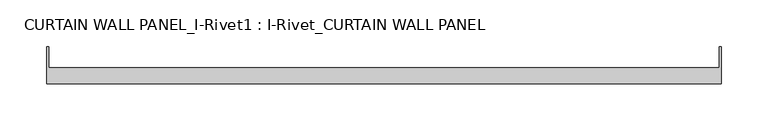
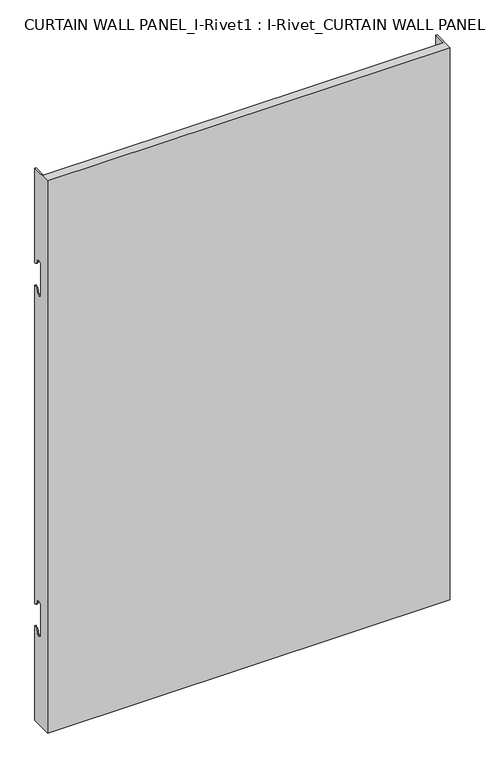
"""IFC4 building model written with IfcOpenShell, lengths in millimetres: plate geometry, CURTAIN WALL PANEL_I-Rivet1 : I-Rivet_CURTAIN WALL PANEL."""

from ifc_helpers import new_model, si_unit, frame, origin, place, context, project, spatial, polyline, circle_curve, source, transform, mapped, element, save
from ifc_brep_helpers import plane_surface, cylinder_surface, revolved_surface, advanced_brep


def curtain_wall_panel_i_rivet1_i_rivet_curtain_wall_panel_c50aa303(model_context):
    return source(origin(), model_context, "Body", "AdvancedBrep", [
        advanced_brep(
        [(-360.4542817, -85.0, 1045.0), (360.4542817, -85.0, 1045.0), (360.4542817, -45.3384103, 1045.0), (358.4542817, -45.3384103, 1045.0), (358.4542817, -68.0, 1045.0), (-358.4542817, -68.0, 1045.0), (-358.4542817, -45.3384103, 1045.0), (-360.4542817, -45.3384103, 1045.0), (-360.4542817, -85.0, 0.0), (-360.4542817, -45.3384103, 0.0), (-358.4542817, -45.3384103, 0.0), (-358.4542817, -68.0, 0.0), (358.4542817, -68.0, 0.0), (358.4542817, -45.3384103, 0.0), (360.4542817, -45.3384103, 0.0), (360.4542817, -85.0, 0.0), (-360.4542817, -45.3384103, 866.0), (-360.4542817, -52.3384103, 873.0), (-360.4542817, -63.3384103, 873.0), (-360.4542817, -63.3384103, 817.0), (-360.4542817, -52.3384103, 817.0), (-360.4542817, -45.3384103, 824.0), (-360.4542817, -45.3384103, 221.0), (-360.4542817, -52.3384103, 228.0), (-360.4542817, -63.3384103, 228.0), (-360.4542817, -63.3384103, 172.0), (-360.4542817, -52.3384103, 172.0), (-360.4542817, -45.3384103, 179.0), (-358.4542817, -45.3384103, 179.0), (-358.4542817, -45.3384103, 824.0), (-358.4542817, -45.3384103, 221.0), (-358.4542817, -45.3384103, 866.0), (360.4542817, -45.3384103, 866.0), (358.4542817, -45.3384103, 866.0), (358.4542817, -45.3384103, 179.0), (360.4542817, -45.3384103, 179.0), (358.4542817, -45.3384103, 221.0), (358.4542817, -45.3384103, 824.0), (360.4542817, -45.3384103, 824.0), (360.4542817, -45.3384103, 221.0), (360.4542817, -52.3384103, 172.0), (360.4542817, -63.3384103, 172.0), (360.4542817, -63.3384103, 228.0), (360.4542817, -52.3384103, 228.0), (360.4542817, -52.3384103, 817.0), (360.4542817, -63.3384103, 817.0), (360.4542817, -63.3384103, 873.0), (360.4542817, -52.3384103, 873.0), (-358.4542817, -52.3384103, 172.0), (-358.4542817, -63.3384103, 172.0), (-358.4542817, -63.3384103, 228.0), (-358.4542817, -52.3384103, 228.0), (-358.4542817, -52.3384103, 817.0), (-358.4542817, -63.3384103, 817.0), (-358.4542817, -63.3384103, 873.0), (-358.4542817, -52.3384103, 873.0), (358.4542817, -52.3384103, 873.0), (358.4542817, -63.3384103, 873.0), (358.4542817, -63.3384103, 817.0), (358.4542817, -52.3384103, 817.0), (358.4542817, -52.3384103, 228.0), (358.4542817, -63.3384103, 228.0), (358.4542817, -63.3384103, 172.0), (358.4542817, -52.3384103, 172.0)],
        [
            (0, 1),
            (1, 2),
            (2, 3),
            (3, 4),
            (4, 5),
            (5, 6),
            (6, 7),
            (7, 0),
            (8, 9),
            (9, 10),
            (10, 11),
            (11, 12),
            (12, 13),
            (13, 14),
            (14, 15),
            (15, 8),
            (7, 16),
            (16, 17, circle_curve(frame((-360.4542817, -45.3384103, 873.0), z_axis=(-1.0, 0.0, 0.0), x_axis=(0.0, -1.0, 0.0)), 7.0)),
            (17, 18, circle_curve(frame((-360.4542817, -57.8384103, 873.0), z_axis=(1.0, 0.0, 0.0), x_axis=(0.0, -1.0, 0.0)), 5.5)),
            (18, 19),
            (19, 20, circle_curve(frame((-360.4542817, -57.8384103, 817.0), z_axis=(1.0, 0.0, 0.0), x_axis=(0.0, -1.0, 0.0)), 5.5)),
            (20, 21, circle_curve(frame((-360.4542817, -45.3384103, 817.0), z_axis=(-1.0, 0.0, 0.0), x_axis=(0.0, -1.0, 0.0)), 7.0)),
            (21, 22),
            (22, 23, circle_curve(frame((-360.4542817, -45.3384103, 228.0), z_axis=(-1.0, 0.0, 0.0), x_axis=(0.0, -1.0, 0.0)), 7.0)),
            (23, 24, circle_curve(frame((-360.4542817, -57.8384103, 228.0), z_axis=(1.0, 0.0, 0.0), x_axis=(0.0, -1.0, 0.0)), 5.5)),
            (24, 25),
            (25, 26, circle_curve(frame((-360.4542817, -57.8384103, 172.0), z_axis=(1.0, 0.0, 0.0), x_axis=(0.0, -1.0, 0.0)), 5.5)),
            (26, 27, circle_curve(frame((-360.4542817, -45.3384103, 172.0), z_axis=(-1.0, 0.0, 0.0), x_axis=(0.0, -1.0, 0.0)), 7.0)),
            (27, 9),
            (8, 0),
            (27, 28),
            (28, 10),
            (21, 29),
            (29, 30),
            (30, 22),
            (6, 31),
            (31, 16),
            (2, 32),
            (32, 33),
            (33, 3),
            (13, 34),
            (34, 35),
            (35, 14),
            (36, 37),
            (37, 38),
            (38, 39),
            (39, 36),
            (1, 15),
            (35, 40, circle_curve(frame((360.4542817, -45.3384103, 172.0), z_axis=(1.0, 0.0, 0.0), x_axis=(0.0, -1.0, 0.0)), 7.0)),
            (40, 41, circle_curve(frame((360.4542817, -57.8384103, 172.0), z_axis=(-1.0, 0.0, 0.0), x_axis=(0.0, -1.0, 0.0)), 5.5)),
            (41, 42),
            (42, 43, circle_curve(frame((360.4542817, -57.8384103, 228.0), z_axis=(-1.0, 0.0, 0.0), x_axis=(0.0, -1.0, 0.0)), 5.5)),
            (43, 39, circle_curve(frame((360.4542817, -45.3384103, 228.0), z_axis=(1.0, 0.0, 0.0), x_axis=(0.0, -1.0, 0.0)), 7.0)),
            (38, 44, circle_curve(frame((360.4542817, -45.3384103, 817.0), z_axis=(1.0, 0.0, 0.0), x_axis=(0.0, -1.0, 0.0)), 7.0)),
            (44, 45, circle_curve(frame((360.4542817, -57.8384103, 817.0), z_axis=(-1.0, 0.0, 0.0), x_axis=(0.0, -1.0, 0.0)), 5.5)),
            (45, 46),
            (46, 47, circle_curve(frame((360.4542817, -57.8384103, 873.0), z_axis=(-1.0, 0.0, 0.0), x_axis=(0.0, -1.0, 0.0)), 5.5)),
            (47, 32, circle_curve(frame((360.4542817, -45.3384103, 873.0), z_axis=(1.0, 0.0, 0.0), x_axis=(0.0, -1.0, 0.0)), 7.0)),
            (5, 11),
            (28, 48, circle_curve(frame((-358.4542817, -45.3384103, 172.0), z_axis=(1.0, 0.0, 0.0), x_axis=(0.0, -1.0, 0.0)), 7.0)),
            (48, 49, circle_curve(frame((-358.4542817, -57.8384103, 172.0), z_axis=(-1.0, 0.0, 0.0), x_axis=(0.0, -1.0, 0.0)), 5.5)),
            (49, 50),
            (50, 51, circle_curve(frame((-358.4542817, -57.8384103, 228.0), z_axis=(-1.0, 0.0, 0.0), x_axis=(0.0, -1.0, 0.0)), 5.5)),
            (51, 30, circle_curve(frame((-358.4542817, -45.3384103, 228.0), z_axis=(1.0, 0.0, 0.0), x_axis=(0.0, -1.0, 0.0)), 7.0)),
            (29, 52, circle_curve(frame((-358.4542817, -45.3384103, 817.0), z_axis=(1.0, 0.0, 0.0), x_axis=(0.0, -1.0, 0.0)), 7.0)),
            (52, 53, circle_curve(frame((-358.4542817, -57.8384103, 817.0), z_axis=(-1.0, 0.0, 0.0), x_axis=(0.0, -1.0, 0.0)), 5.5)),
            (53, 54),
            (54, 55, circle_curve(frame((-358.4542817, -57.8384103, 873.0), z_axis=(-1.0, 0.0, 0.0), x_axis=(0.0, -1.0, 0.0)), 5.5)),
            (55, 31, circle_curve(frame((-358.4542817, -45.3384103, 873.0), z_axis=(1.0, 0.0, 0.0), x_axis=(0.0, -1.0, 0.0)), 7.0)),
            (33, 56, circle_curve(frame((358.4542817, -45.3384103, 873.0), z_axis=(-1.0, 0.0, 0.0), x_axis=(0.0, -1.0, 0.0)), 7.0)),
            (56, 57, circle_curve(frame((358.4542817, -57.8384103, 873.0), z_axis=(1.0, 0.0, 0.0), x_axis=(0.0, -1.0, 0.0)), 5.5)),
            (57, 58),
            (58, 59, circle_curve(frame((358.4542817, -57.8384103, 817.0), z_axis=(1.0, 0.0, 0.0), x_axis=(0.0, -1.0, 0.0)), 5.5)),
            (59, 37, circle_curve(frame((358.4542817, -45.3384103, 817.0), z_axis=(-1.0, 0.0, 0.0), x_axis=(0.0, -1.0, 0.0)), 7.0)),
            (36, 60, circle_curve(frame((358.4542817, -45.3384103, 228.0), z_axis=(-1.0, 0.0, 0.0), x_axis=(0.0, -1.0, 0.0)), 7.0)),
            (60, 61, circle_curve(frame((358.4542817, -57.8384103, 228.0), z_axis=(1.0, 0.0, 0.0), x_axis=(0.0, -1.0, 0.0)), 5.5)),
            (61, 62),
            (62, 63, circle_curve(frame((358.4542817, -57.8384103, 172.0), z_axis=(1.0, 0.0, 0.0), x_axis=(0.0, -1.0, 0.0)), 5.5)),
            (63, 34, circle_curve(frame((358.4542817, -45.3384103, 172.0), z_axis=(-1.0, 0.0, 0.0), x_axis=(0.0, -1.0, 0.0)), 7.0)),
            (12, 4),
            (41, 62),
            (61, 42),
            (49, 25),
            (24, 50),
            (40, 63),
            (48, 26),
            (51, 23),
            (43, 60),
            (18, 54),
            (53, 19),
            (57, 46),
            (45, 58),
            (17, 55),
            (56, 47),
            (59, 44),
            (20, 52),
        ],
        [
            plane_surface(frame((-360.4542817, -45.3384103, 1045.0), z_axis=(0.0, 0.0, 1.0), x_axis=(0.0, 1.0, 0.0))),
            plane_surface(frame((-360.4542817, -45.3384103, 0.0), z_axis=(0.0, 0.0, -1.0), x_axis=(0.0, -1.0, 0.0))),
            plane_surface(frame((-360.4542817, -85.0, 1045.0), z_axis=(-1.0, 0.0, 0.0), x_axis=(0.0, 0.0, -1.0))),
            plane_surface(frame((-360.4542817, -45.3384103, 1045.0), z_axis=(0.0, 1.0, 0.0), x_axis=(0.0, 0.0, -1.0))),
            plane_surface(frame((358.4542817, -45.3384103, 1045.0), z_axis=(0.0, 1.0, 0.0), x_axis=(0.0, 0.0, -1.0))),
            plane_surface(frame((360.4542817, -45.3384103, 1045.0), z_axis=(1.0, 0.0, 0.0), x_axis=(0.0, 0.0, -1.0))),
            plane_surface(frame((360.4542817, -85.0, 1045.0), z_axis=(0.0, -1.0, 0.0), x_axis=(0.0, 0.0, -1.0))),
            plane_surface(frame((-358.4542817, -45.3384103, 1045.0), z_axis=(1.0, 0.0, 0.0), x_axis=(0.0, 0.0, -1.0))),
            plane_surface(frame((358.4542817, -68.0, 1045.0), z_axis=(-1.0, 0.0, 0.0), x_axis=(0.0, 0.0, -1.0))),
            plane_surface(frame((-359.4542817, -68.0, 1045.0), z_axis=(0.0, 1.0, 0.0), x_axis=(0.0, 0.0, -1.0))),
            plane_surface(frame((-360.4542817, -63.3384103, 228.0), z_axis=(0.0, 1.0, 0.0), x_axis=(1.0, 0.0, 0.0))),
            revolved_surface(polyline([(358.4542817, -63.3384103, 172.0), (360.4542817, -63.3384103, 172.0)]), (-360.4542817, -57.8384103, 172.0), (-1.0, 0.0, 0.0)),
            revolved_surface(polyline([(-360.4542817, -63.3384103, 172.0), (-358.4542817, -63.3384103, 172.0)]), (-360.4542817, -57.8384103, 172.0), (-1.0, 0.0, 0.0)),
            cylinder_surface(frame((-360.4542817, -45.3384103, 172.0), z_axis=(1.0, 0.0, 0.0), x_axis=(0.0, -1.0, 0.0)), 7.0),
            cylinder_surface(frame((-360.4542817, -45.3384103, 228.0), z_axis=(1.0, 0.0, 0.0), x_axis=(0.0, -1.0, 0.0)), 7.0),
            revolved_surface(polyline([(-360.4542817, -63.3384103, 228.0), (-358.4542817, -63.3384103, 228.0)]), (-360.4542817, -57.8384103, 228.0), (-1.0, 0.0, 0.0)),
            revolved_surface(polyline([(358.4542817, -63.3384103, 228.0), (360.4542817, -63.3384103, 228.0)]), (-360.4542817, -57.8384103, 228.0), (-1.0, 0.0, 0.0)),
            plane_surface(frame((360.4542817, -63.3384103, 817.0), z_axis=(0.0, 1.0, 0.0), x_axis=(-1.0, 0.0, 0.0))),
            revolved_surface(polyline([(-358.4542817, -63.3384103, 873.0), (-360.4542817, -63.3384103, 873.0)]), (360.4542817, -57.8384103, 873.0), (1.0, 0.0, 0.0)),
            revolved_surface(polyline([(360.4542817, -63.3384103, 873.0), (358.4542817, -63.3384103, 873.0)]), (360.4542817, -57.8384103, 873.0), (1.0, 0.0, 0.0)),
            cylinder_surface(frame((360.4542817, -45.3384103, 873.0), z_axis=(-1.0, 0.0, 0.0), x_axis=(0.0, -1.0, 0.0)), 7.0),
            cylinder_surface(frame((360.4542817, -45.3384103, 817.0), z_axis=(-1.0, 0.0, 0.0), x_axis=(0.0, -1.0, 0.0)), 7.0),
            revolved_surface(polyline([(360.4542817, -63.3384103, 817.0), (358.4542817, -63.3384103, 817.0)]), (360.4542817, -57.8384103, 817.0), (1.0, 0.0, 0.0)),
            revolved_surface(polyline([(-358.4542817, -63.3384103, 817.0), (-360.4542817, -63.3384103, 817.0)]), (360.4542817, -57.8384103, 817.0), (1.0, 0.0, 0.0)),
        ],
        [
            (0, [[1, 2, 3, 4, 5, 6, 7, 8]]),
            (1, [[9, 10, 11, 12, 13, 14, 15, 16]]),
            (2, [[17, 18, 19, 20, 21, 22, 23, 24, 25, 26, 27, 28, 29, -9, 30, -8]]),
            (3, [[-29, 31, 32, -10]]),
            (3, [[-23, 33, 34, 35]]),
            (3, [[36, 37, -17, -7]]),
            (4, [[38, 39, 40, -3]]),
            (4, [[41, 42, 43, -14]]),
            (4, [[44, 45, 46, 47]]),
            (5, [[48, -15, -43, 49, 50, 51, 52, 53, -46, 54, 55, 56, 57, 58, -38, -2]]),
            (6, [[-30, -16, -48, -1]]),
            (7, [[59, -11, -32, 60, 61, 62, 63, 64, -34, 65, 66, 67, 68, 69, -36, -6]]),
            (8, [[-40, 70, 71, 72, 73, 74, -44, 75, 76, 77, 78, 79, -41, -13, 80, -4]]),
            (9, [[-80, -12, -59, -5]]),
            (10, [[-51, 81, -77, 82]]),
            (10, [[-62, 83, -26, 84]]),
            (11, [[-50, 85, -78, -81]]),
            (12, [[-61, 86, -27, -83]]),
            (13, [[-49, -42, -79, -85]]),
            (13, [[-60, -31, -28, -86]]),
            (14, [[-24, -35, -64, 87]]),
            (14, [[-75, -47, -53, 88]]),
            (15, [[-25, -87, -63, -84]]),
            (16, [[-76, -88, -52, -82]]),
            (17, [[-20, 89, -67, 90]]),
            (17, [[-72, 91, -56, 92]]),
            (18, [[-19, 93, -68, -89]]),
            (19, [[-71, 94, -57, -91]]),
            (20, [[-18, -37, -69, -93]]),
            (20, [[-70, -39, -58, -94]]),
            (21, [[-54, -45, -74, 95]]),
            (21, [[-65, -33, -22, 96]]),
            (22, [[-55, -95, -73, -92]]),
            (23, [[-66, -96, -21, -90]]),
        ],
    ),
    ])


if __name__ == "__main__":
    model = new_model("IFC4")
    model_context = context("Model", 3, world=origin())
    ifc_project = project(units=[si_unit("LENGTHUNIT", "METRE", prefix="MILLI")], contexts=[model_context])
    site = spatial("IfcSite", under=ifc_project)
    building = spatial("IfcBuilding", under=site)
    placement = place(None, origin())
    curtain_wall_panel_i_rivet1_i_rivet_curtain_wall_panel_shape = curtain_wall_panel_i_rivet1_i_rivet_curtain_wall_panel_c50aa303(model_context)
    element("IfcPlate", 1, ObjectType="CURTAIN WALL PANEL_I-Rivet1 : I-Rivet_CURTAIN WALL PANEL", at=placement, inside=building, context=model_context, shape_type="MappedRepresentation", body=[
        mapped(curtain_wall_panel_i_rivet1_i_rivet_curtain_wall_panel_shape, transform((0.0, 0.0, 0.0), x_axis=(1.0, 0.0, 0.0), y_axis=(0.0, 1.0, 0.0), z_axis=(0.0, 0.0, 1.0))),
    ])
    save(model, "model.ifc")
